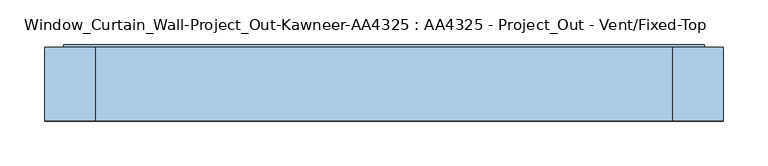
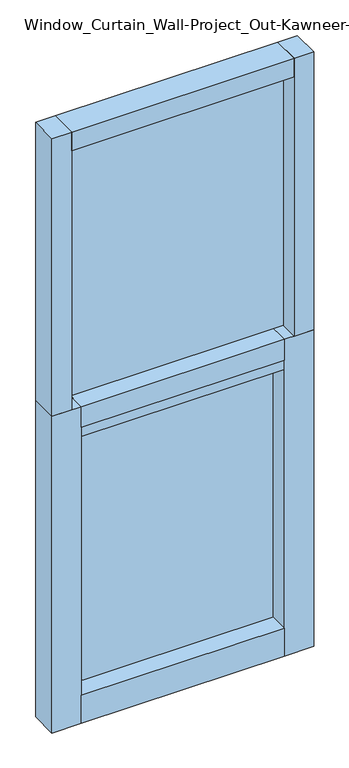
"""IFC4 building model written with IfcOpenShell, lengths in millimetres: window geometry, Window_Curtain_Wall-Project_Out-Kawneer-AA4325 : AA4325 - Project_Out - Vent/Fixed-Top."""

from ifc_helpers import new_model, si_unit, frame, origin, origin_with_axes, place, context, project, spatial, polyline, outline, extrude, source, transform, mapped, element, save


def window_curtain_wall_project_out_kawneer_aa4325_aa4325_9c468082(model_context):
    return source(origin(), model_context, "Body", "SweptSolid", [
        extrude(outline(polyline([(381.0, 41.275), (381.0, -41.275), (323.85, -41.275), (323.85, 41.275), (381.0, 41.275)])), frame((0.0, 0.0, 974.328125), z_axis=(0.0, 0.0, 1.0), x_axis=(1.0, 0.0, 0.0)), (0.0, 0.0, 1.0), 854.471875),
        extrude(outline(polyline([(-381.0, 41.275), (-323.85, 41.275), (-323.85, -41.275), (-381.0, -41.275), (-381.0, 41.275)])), frame((0.0, 0.0, 974.328125), z_axis=(0.0, 0.0, 1.0), x_axis=(1.0, 0.0, 0.0)), (0.0, 0.0, 1.0), 854.471875),
        extrude(outline(polyline([(295.275, 41.275), (295.275, -41.275), (-295.275, -41.275), (-295.275, 41.275), (295.275, 41.275)])), frame((0.0, 0.0, 910.828125), z_axis=(0.0, 0.0, 1.0), x_axis=(1.0, 0.0, 0.0)), (0.0, 0.0, 1.0), 63.5),
        extrude(outline(polyline([(21.43125, -359.56875), (21.43125, 359.56875), (939.403125, 359.56875), (939.403125, -359.56875), (21.43125, -359.56875)]), holes=[polyline([(879.078125, -299.24375), (879.078125, 299.24375), (81.75625, 299.24375), (81.75625, -299.24375), (879.078125, -299.24375)])]), frame((0.0, -38.1, 0.0), z_axis=(0.0, 1.0, 0.0), x_axis=(0.0, 0.0, 1.0)), (0.0, 0.0, 1.0), 82.55),
        extrude(outline(polyline([(-323.85, 12.7), (-323.85, 38.1), (323.85, 38.1), (323.85, 12.7), (-323.85, 12.7)])), frame((0.0, 0.0, 974.328125), z_axis=(0.0, 0.0, 1.0), x_axis=(1.0, 0.0, 0.0)), (0.0, 0.0, 1.0), 797.321875),
        extrude(outline(polyline([(-299.24375, 15.875), (-299.24375, 41.275), (299.24375, 41.275), (299.24375, 15.875), (-299.24375, 15.875)])), frame((0.0, 0.0, 81.75625), z_axis=(0.0, 0.0, 1.0), x_axis=(1.0, 0.0, 0.0)), (0.0, 0.0, 1.0), 797.321875),
        extrude(outline(polyline([(323.85, 41.275), (323.85, -41.275), (-323.85, -41.275), (-323.85, 41.275), (323.85, 41.275)])), frame((0.0, 0.0, 1771.65), z_axis=(0.0, 0.0, 1.0), x_axis=(1.0, 0.0, 0.0)), (0.0, 0.0, 1.0), 57.15),
        extrude(outline(polyline([(295.275, 41.275), (295.275, -41.275), (-295.275, -41.275), (-295.275, 41.275), (295.275, 41.275)])), origin_with_axes(), (0.0, 0.0, 1.0), 85.725),
        extrude(outline(polyline([(-381.0, -41.275), (-381.0, 41.275), (-295.275, 41.275), (-295.275, -41.275), (-381.0, -41.275)])), origin_with_axes(), (0.0, 0.0, 1.0), 974.328125),
        extrude(outline(polyline([(381.0, -41.275), (295.275, -41.275), (295.275, 41.275), (381.0, 41.275), (381.0, -41.275)])), origin_with_axes(), (0.0, 0.0, 1.0), 974.328125),
    ])


if __name__ == "__main__":
    model = new_model("IFC4")
    model_context = context("Model", 3, world=origin())
    ifc_project = project(units=[si_unit("LENGTHUNIT", "METRE", prefix="MILLI")], contexts=[model_context])
    site = spatial("IfcSite", under=ifc_project)
    building = spatial("IfcBuilding", under=site)
    placement = place(None, origin())
    window_curtain_wall_project_out_kawneer_aa4325_aa4325_shape = window_curtain_wall_project_out_kawneer_aa4325_aa4325_9c468082(model_context)
    element("IfcWindow", 1, ObjectType="Window_Curtain_Wall-Project_Out-Kawneer-AA4325 : AA4325 - Project_Out - Vent/Fixed-Top", at=placement, inside=building, context=model_context, shape_type="MappedRepresentation", body=[
        mapped(window_curtain_wall_project_out_kawneer_aa4325_aa4325_shape, transform((0.0, 0.0, 0.0), x_axis=(1.0, 0.0, 0.0), y_axis=(0.0, 1.0, 0.0), z_axis=(0.0, 0.0, 1.0))),
    ])
    save(model, "model.ifc")
